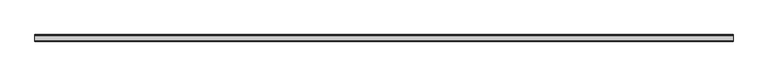
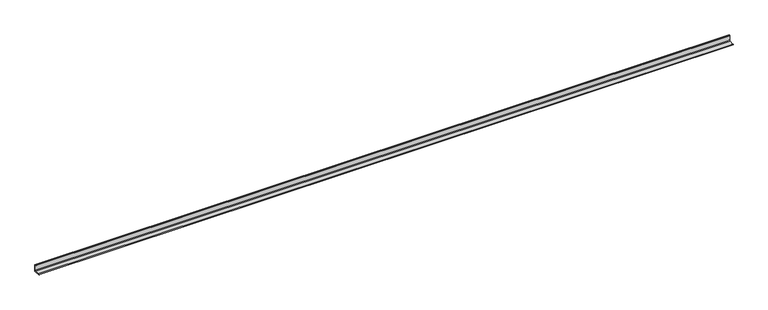
"""IFC4 building model written with IfcOpenShell, lengths in millimetres: beam geometry."""

import ifcopenshell
import ifcopenshell.guid

model = None  # the IFC model being written
_history = None  # IfcOwnerHistory: only IFC2X3 demands one
_inside = {}  # id of a spatial element -> (the spatial element, [elements in it])
_under = {}  # id of a project, library or spatial element -> (it, [spatial elements below it])
_declared = {}  # id of a project -> (the project, [libraries it declares])
_typed = {}  # id of a type object -> (the type object, [elements of that type])
_made_of = {}  # id of a material, layer set ... -> (it, [elements and type objects made of it])


def new_model(schema):
    """Start an empty IFC model of exactly this schema.

    Asked for "IFC4X3", IfcOpenShell would pick the latest addendum, in which some entities
    have other attributes; the version numbers below select the first issue.
    IFC2X3 requires an IfcOwnerHistory on every rooted entity: one is made here for all.
    """
    global model, _history
    if schema == "IFC4X3":
        model = ifcopenshell.file(schema_version=(4, 3, 0, 0))
    else:
        model = ifcopenshell.file(schema=schema)
    _inside.clear()
    _under.clear()
    _declared.clear()
    _typed.clear()
    _made_of.clear()
    _history = None
    if model.schema == "IFC2X3":
        org = make("IfcOrganization", Name="unknown")
        user = make(
            "IfcPersonAndOrganization",
            ThePerson=make("IfcPerson", FamilyName="unknown"),
            TheOrganization=org,
        )
        app = make(
            "IfcApplication",
            ApplicationDeveloper=org,
            Version="unknown",
            ApplicationFullName="unknown",
            ApplicationIdentifier="unknown",
        )
        _history = make(
            "IfcOwnerHistory",
            OwningUser=user,
            OwningApplication=app,
            ChangeAction="ADDED",
            CreationDate=0,
        )
    return model


def make(cls, **values):
    """One entity of the class cls with the attributes given. An attribute that is None is left unset."""
    return model.create_entity(
        cls, **{name: value for name, value in values.items() if value is not None}
    )


def rooted(cls, **values):
    """An entity with a GlobalId (a new one), such as an element, a storey or a relation."""
    return make(cls, GlobalId=ifcopenshell.guid.new(), OwnerHistory=_history, **values)


def si_unit(unit_type, name, prefix=None):
    """IfcSIUnit, for example si_unit("LENGTHUNIT", "METRE", prefix="MILLI")."""
    return make("IfcSIUnit", UnitType=unit_type, Prefix=prefix, Name=name)


def assignment(units):
    """IfcUnitAssignment: the units of a project."""
    return None if units is None else make("IfcUnitAssignment", Units=units)


def point(xyz):
    """IfcCartesianPoint."""
    return None if xyz is None else make("IfcCartesianPoint", Coordinates=xyz)


def direction(xyz):
    """IfcDirection."""
    return None if xyz is None else make("IfcDirection", DirectionRatios=xyz)


def frame(location, z_axis=None, x_axis=None):
    """IfcAxis2Placement3D, a coordinate frame: its origin and axes. An axis left out is left unset."""
    return make(
        "IfcAxis2Placement3D",
        Location=point(location),
        Axis=direction(z_axis),
        RefDirection=direction(x_axis),
    )


def frame_2d(location, x_axis=None):
    """IfcAxis2Placement2D, a coordinate frame in the plane: its origin and x axis."""
    return make(
        "IfcAxis2Placement2D", Location=point(location), RefDirection=direction(x_axis)
    )


def origin():
    """The frame at (0, 0, 0) with its axes left unset."""
    return frame((0.0, 0.0, 0.0))


def place(relative_to, where):
    """IfcLocalPlacement: puts the frame where relative to a parent placement (None: the world)."""
    return make(
        "IfcLocalPlacement", PlacementRelTo=relative_to, RelativePlacement=where
    )


def context(
    kind, dimensions, precision=None, world=None, true_north=None, identifier=None
):
    """IfcGeometricRepresentationContext, for example the 3D "Model" context."""
    return make(
        "IfcGeometricRepresentationContext",
        ContextIdentifier=identifier,
        ContextType=kind,
        CoordinateSpaceDimension=dimensions,
        Precision=precision,
        WorldCoordinateSystem=world,
        TrueNorth=true_north,
    )


def project(units=None, contexts=None):
    """IfcProject with its units and contexts."""
    return rooted(
        "IfcProject",
        Name="project",
        RepresentationContexts=contexts,
        UnitsInContext=assignment(units),
    )


def spatial(cls, under=None, at=None, **own):
    """A site, building, storey or space (cls), placed at a placement, below another one or the project."""
    s = rooted(cls, ObjectPlacement=at, **own)
    if under is not None:
        _under.setdefault(under.id(), (under, []))[1].append(s)
    return s


def polyline(points):
    """IfcPolyline through the points."""
    return make("IfcPolyline", Points=[point(p) for p in points])


def circle_curve(where, radius):
    """IfcCircle in the frame where."""
    return make("IfcCircle", Position=where, Radius=radius)


def trimmed(basis, trim1, trim2, sense, master):
    """IfcTrimmedCurve: the piece of a basis curve between two trims."""
    return make(
        "IfcTrimmedCurve",
        BasisCurve=basis,
        Trim1=trim1,
        Trim2=trim2,
        SenseAgreement=sense,
        MasterRepresentation=master,
    )


def segment(curve, same_sense, transition):
    """IfcCompositeCurveSegment."""
    return make(
        "IfcCompositeCurveSegment",
        Transition=transition,
        SameSense=same_sense,
        ParentCurve=curve,
    )


def composite_curve(segments, self_intersect=None):
    """IfcCompositeCurve: segments joined end to end."""
    return make("IfcCompositeCurve", Segments=segments, SelfIntersect=self_intersect)


def outline(outer, holes=None, kind="AREA"):
    """IfcArbitraryClosedProfileDef: a profile drawn as a closed curve; with holes, ...WithVoids."""
    if holes is None:
        return make("IfcArbitraryClosedProfileDef", ProfileType=kind, OuterCurve=outer)
    return make(
        "IfcArbitraryProfileDefWithVoids",
        ProfileType=kind,
        OuterCurve=outer,
        InnerCurves=holes,
    )


def extrude(swept, where, along, depth):
    """IfcExtrudedAreaSolid: the profile swept, set in the frame where, extruded along a direction by depth."""
    return make(
        "IfcExtrudedAreaSolid",
        SweptArea=swept,
        Position=where,
        ExtrudedDirection=direction(along),
        Depth=depth,
    )


def shape(context_of_items, identifier, shape_type, items):
    """IfcShapeRepresentation: the items that make up one representation, for example the "Body"."""
    return make(
        "IfcShapeRepresentation",
        ContextOfItems=context_of_items,
        RepresentationIdentifier=identifier,
        RepresentationType=shape_type,
        Items=items,
    )


def source(mapping_origin, context_of_items, identifier, shape_type, items):
    """IfcRepresentationMap: a shape defined once, which mapped items show again and again."""
    return make(
        "IfcRepresentationMap",
        MappingOrigin=mapping_origin,
        MappedRepresentation=shape(context_of_items, identifier, shape_type, items),
    )


def transform(
    local_origin,
    x_axis=None,
    y_axis=None,
    z_axis=None,
    scale=None,
    scale2=None,
    scale3=None,
    uniform=True,
):
    """IfcCartesianTransformationOperator3D, or its non-uniform kind. x_axis, y_axis, z_axis: its Axis1, 2, 3."""
    if uniform:
        return make(
            "IfcCartesianTransformationOperator3D",
            Axis1=direction(x_axis),
            Axis2=direction(y_axis),
            LocalOrigin=point(local_origin),
            Scale=scale,
            Axis3=direction(z_axis),
        )
    return make(
        "IfcCartesianTransformationOperator3DnonUniform",
        Axis1=direction(x_axis),
        Axis2=direction(y_axis),
        LocalOrigin=point(local_origin),
        Scale=scale,
        Axis3=direction(z_axis),
        Scale2=scale2,
        Scale3=scale3,
    )


def mapped(mapping_source, mapping_target):
    """IfcMappedItem: shows the shape of a source again, moved by a transform."""
    return make(
        "IfcMappedItem", MappingSource=mapping_source, MappingTarget=mapping_target
    )


def made_of(thing, what):
    """Note that an element or type object is made of a material, layer set ...; save() writes the relation."""
    if what is not None:
        _made_of.setdefault(what.id(), (what, []))[1].append(thing)
    return thing


def element(
    cls,
    number,
    at=None,
    inside=None,
    cuts=None,
    type_object=None,
    material=None,
    context=None,
    identifier="Body",
    shape_type=None,
    held_by="IfcProductDefinitionShape",
    body=None,
    shapes=None,
    **own,
):
    """One element of the class cls, such as IfcWall. Its Tag is "e" and its number.

    at: its placement. inside: the storey or other place that contains it. cuts: it is an
    opening in that element (IfcRelVoidsElement). A single representation is given by context,
    identifier, shape_type and body (its items); several are given by shapes. held_by: the class
    of the entity that holds the representations. save() writes the other relations.
    """
    e = rooted(cls, Tag="e%d" % number, ObjectPlacement=at, **own)
    if body is not None:
        shapes = [shape(context, identifier, shape_type, body)]
    if shapes is not None:
        e.Representation = make(held_by, Representations=shapes)
    if inside is not None:
        _inside.setdefault(inside.id(), (inside, []))[1].append(e)
    if cuts is not None:
        rooted(
            "IfcRelVoidsElement", RelatingBuildingElement=cuts, RelatedOpeningElement=e
        )
    if type_object is not None:
        _typed.setdefault(type_object.id(), (type_object, []))[1].append(e)
    return made_of(e, material)


def aggregate(whole, parts):
    """IfcRelAggregates: a whole, such as a stair, and the parts it consists of."""
    return rooted("IfcRelAggregates", RelatingObject=whole, RelatedObjects=parts)


def save(model, path):
    """Write the relations noted so far, then the file.

    IfcRelAggregates (storeys below a building ...), IfcRelContainedInSpatialStructure (elements
    in a storey), IfcRelDefinesByType, IfcRelAssociatesMaterial and IfcRelDeclares: one each for
    every whole, place, type object, material and project.
    """
    for whole, parts in _under.values():
        aggregate(whole, parts)
    for where, things in _inside.values():
        rooted(
            "IfcRelContainedInSpatialStructure",
            RelatedElements=things,
            RelatingStructure=where,
        )
    for kind, things in _typed.values():
        rooted("IfcRelDefinesByType", RelatedObjects=things, RelatingType=kind)
    for what, things in _made_of.values():
        rooted("IfcRelAssociatesMaterial", RelatedObjects=things, RelatingMaterial=what)
    for by, libraries in _declared.values():
        rooted("IfcRelDeclares", RelatingContext=by, RelatedDefinitions=libraries)
    model.write(path)


def beam_c544e018(model_context):
    return source(origin(), model_context, "Body", "SweptSolid", [
        extrude(outline(composite_curve([segment(polyline([(21.3, -21.3), (-53.7, -21.3), (-53.7, -18.3)]), True, "CONTINUOUS"), segment(trimmed(circle_curve(frame_2d((-48.7, -18.3)), 5.0), [point((-53.7, -18.3))], [point((-48.7, -13.3))], False, "CARTESIAN"), True, "CONTINUOUS"), segment(polyline([(-48.7, -13.3), (5.3, -13.3)]), True, "CONTINUOUS"), segment(trimmed(circle_curve(frame_2d((5.3, -5.3)), 8.0), [point((5.3, -13.3))], [point((13.3, -5.3))], True, "CARTESIAN"), True, "CONTINUOUS"), segment(polyline([(13.3, -5.3), (13.3, 48.7)]), True, "CONTINUOUS"), segment(trimmed(circle_curve(frame_2d((18.3, 48.7)), 5.0), [point((13.3, 48.7))], [point((18.3, 53.7))], False, "CARTESIAN"), True, "CONTINUOUS"), segment(polyline([(18.3, 53.7), (21.3, 53.7), (21.3, -21.3)]), True, "CONTINUOUS")], self_intersect=False)), frame((-3979.5, 0.0, 0.0), z_axis=(1.0, 0.0, 0.0), x_axis=(0.0, 1.0, 0.0)), (0.0, 0.0, 1.0), 7892.0),
    ])


if __name__ == "__main__":
    model = new_model("IFC4")
    model_context = context("Model", 3, world=origin())
    ifc_project = project(units=[si_unit("LENGTHUNIT", "METRE", prefix="MILLI")], contexts=[model_context])
    site = spatial("IfcSite", under=ifc_project)
    building = spatial("IfcBuilding", under=site)
    placement = place(None, origin())
    beam_shape = beam_c544e018(model_context)
    element("IfcBeam", 1, at=placement, inside=building, context=model_context, shape_type="MappedRepresentation", body=[
        mapped(beam_shape, transform((0.0, 0.0, 0.0), x_axis=(1.0, 0.0, 0.0), y_axis=(0.0, 1.0, 0.0), z_axis=(0.0, 0.0, 1.0))),
    ])
    save(model, "model.ifc")
